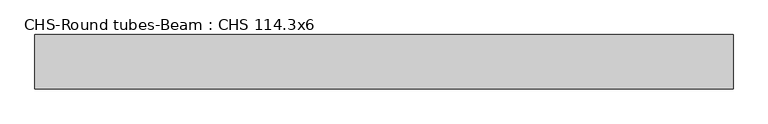
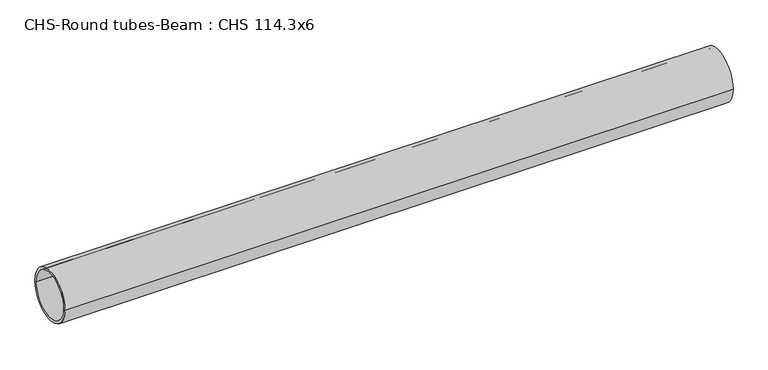
"""IFC4 building model written with IfcOpenShell, lengths in millimetres: beam geometry, CHS-Round tubes-Beam : CHS 114.3x6."""

from ifc_helpers import new_model, si_unit, point, frame, origin, origin_2d, place, context, project, spatial, circle_curve, trimmed, segment, composite_curve, outline, extrude, source, transform, mapped, element, save


def chs_round_tubes_beam_chs_114_3x6_f3e25526(model_context):
    return source(origin(), model_context, "Body", "SweptSolid", [
        extrude(outline(composite_curve([segment(trimmed(circle_curve(origin_2d(), 57.15), [point((57.15, 0.0))], [point((-57.15, 0.0))], False, "CARTESIAN"), True, "CONTINUOUS"), segment(trimmed(circle_curve(origin_2d(), 57.15), [point((-57.15, 0.0))], [point((57.15, 0.0))], False, "CARTESIAN"), True, "CONTINUOUS")], self_intersect=False), holes=[composite_curve([segment(trimmed(circle_curve(origin_2d(), 51.15), [point((51.15, 0.0))], [point((-51.15, 0.0))], True, "CARTESIAN"), True, "CONTINUOUS"), segment(trimmed(circle_curve(origin_2d(), 51.15), [point((-51.15, 0.0))], [point((51.15, 0.0))], True, "CARTESIAN"), True, "CONTINUOUS")], self_intersect=False)]), frame((-735.8904653, 0.0, 0.0), z_axis=(1.0, 0.0, 0.0), x_axis=(0.0, 1.0, 0.0)), (0.0, 0.0, 1.0), 1468.7668635),
    ])


if __name__ == "__main__":
    model = new_model("IFC4")
    model_context = context("Model", 3, world=origin())
    ifc_project = project(units=[si_unit("LENGTHUNIT", "METRE", prefix="MILLI")], contexts=[model_context])
    site = spatial("IfcSite", under=ifc_project)
    building = spatial("IfcBuilding", under=site)
    placement = place(None, origin())
    chs_round_tubes_beam_chs_114_3x6_shape = chs_round_tubes_beam_chs_114_3x6_f3e25526(model_context)
    element("IfcBeam", 1, ObjectType="CHS-Round tubes-Beam : CHS 114.3x6", at=placement, inside=building, context=model_context, shape_type="MappedRepresentation", body=[
        mapped(chs_round_tubes_beam_chs_114_3x6_shape, transform((0.0, 0.0, 0.0), x_axis=(1.0, 0.0, 0.0), y_axis=(0.0, 1.0, 0.0), z_axis=(0.0, 0.0, 1.0))),
    ])
    save(model, "model.ifc")
